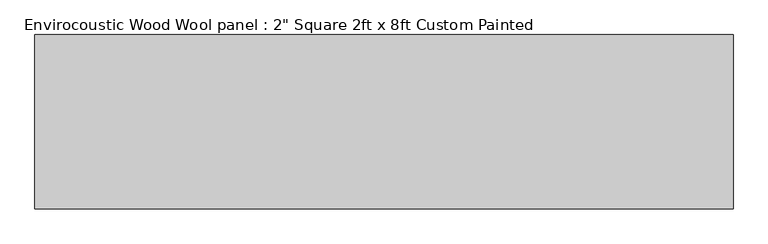
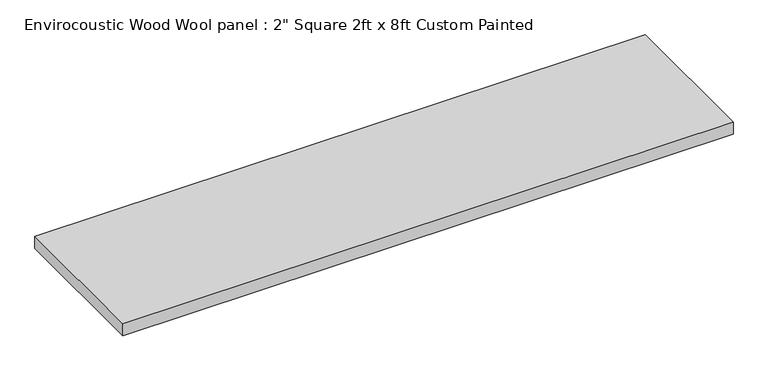
"""IFC4 building model written with IfcOpenShell, lengths in millimetres: proxy geometry."""

from ifc_helpers import new_model, si_unit, origin, origin_with_axes, place, context, project, spatial, polyline, outline, extrude, source, transform, mapped, element, save


def proxy_1769251a(model_context):
    return source(origin(), model_context, "Body", "SweptSolid", [
        extrude(outline(polyline([(-1219.2, 304.8), (1219.2, 304.8), (1219.2, -304.8), (-1219.2, -304.8), (-1219.2, 304.8)])), origin_with_axes(), (0.0, 0.0, 1.0), 50.8),
    ])


if __name__ == "__main__":
    model = new_model("IFC4")
    model_context = context("Model", 3, world=origin())
    ifc_project = project(units=[si_unit("LENGTHUNIT", "METRE", prefix="MILLI")], contexts=[model_context])
    site = spatial("IfcSite", under=ifc_project)
    building = spatial("IfcBuilding", under=site)
    placement = place(None, origin())
    proxy_shape = proxy_1769251a(model_context)
    element("IfcBuildingElementProxy", 1, Name="Envirocoustic Wood Wool panel : 2\" Square 2ft x 8ft Custom Painted", ObjectType="Envirocoustic Wood Wool panel : 2\" Square 2ft x 8ft Custom Painted", at=placement, inside=building, context=model_context, shape_type="MappedRepresentation", body=[
        mapped(proxy_shape, transform((0.0, 0.0, 0.0), x_axis=(1.0, 0.0, 0.0), y_axis=(0.0, 1.0, 0.0), z_axis=(0.0, 0.0, 1.0))),
    ])
    save(model, "model.ifc")
